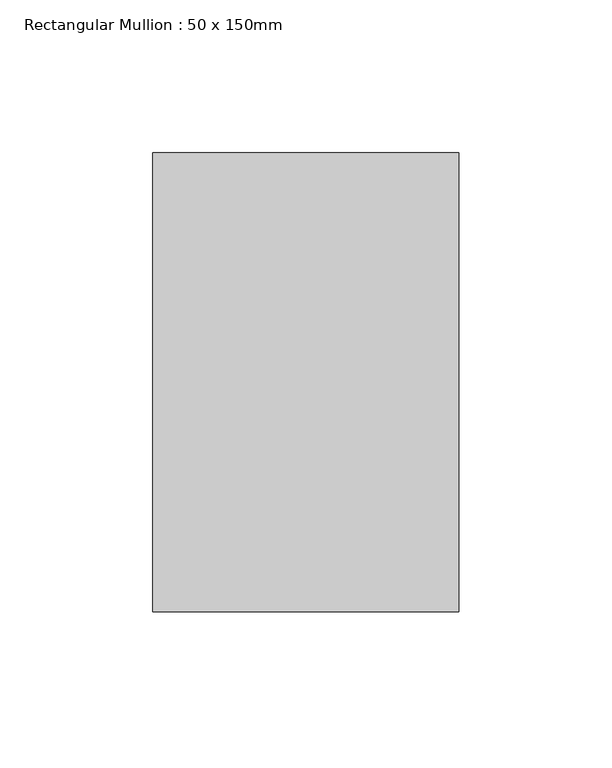
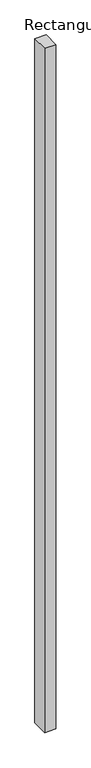
"""IFC4 building model written with IfcOpenShell, lengths in millimetres: member geometry, Rectangular Mullion : 50 x 150mm."""

from ifc_helpers import new_model, si_unit, frame, origin, place, context, project, spatial, polyline, outline, extrude, source, transform, mapped, element, save


def rectangular_mullion_50_x_150mm_2b192178(model_context):
    return source(origin(), model_context, "Body", "SweptSolid", [
        extrude(outline(polyline([(50.0, 75.0), (50.0, -75.0), (-50.0, -75.0), (-50.0, 75.0), (50.0, 75.0)])), frame((0.0, 0.0, -6445.1105375), z_axis=(0.0, 0.0, 1.0), x_axis=(1.0, 0.0, 0.0)), (0.0, 0.0, 1.0), 6445.1105375),
    ])


if __name__ == "__main__":
    model = new_model("IFC4")
    model_context = context("Model", 3, world=origin())
    ifc_project = project(units=[si_unit("LENGTHUNIT", "METRE", prefix="MILLI")], contexts=[model_context])
    site = spatial("IfcSite", under=ifc_project)
    building = spatial("IfcBuilding", under=site)
    placement = place(None, origin())
    rectangular_mullion_50_x_150mm_shape = rectangular_mullion_50_x_150mm_2b192178(model_context)
    element("IfcMember", 1, ObjectType="Rectangular Mullion : 50 x 150mm", at=placement, inside=building, context=model_context, shape_type="MappedRepresentation", body=[
        mapped(rectangular_mullion_50_x_150mm_shape, transform((0.0, 0.0, 0.0), x_axis=(1.0, 0.0, 0.0), y_axis=(0.0, 1.0, 0.0), z_axis=(0.0, 0.0, 1.0))),
    ])
    save(model, "model.ifc")
